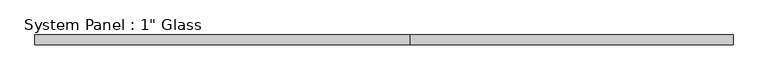
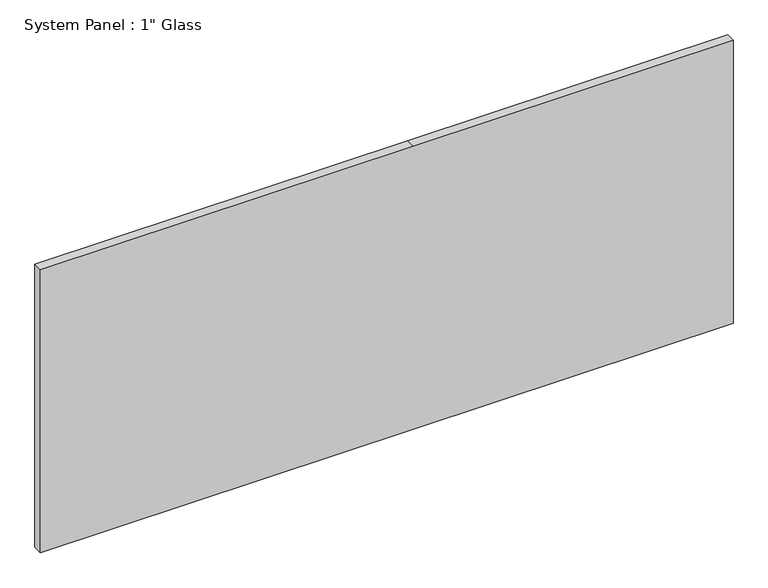
"""IFC4 building model written with IfcOpenShell, lengths in millimetres: plate geometry."""

from ifc_helpers import new_model, si_unit, frame, origin, place, context, project, spatial, polyline, outline, extrude, source, transform, mapped, element, save


def plate_e2f749d1(model_context):
    return source(origin(), model_context, "Body", "SweptSolid", [
        extrude(outline(polyline([(0.0, -920.75), (0.0, 69.85), (0.0, 920.75), (795.3375, 920.75), (795.3375, 69.85), (795.3375, -920.75), (0.0, -920.75)])), frame((0.0, -12.7, 0.0), z_axis=(0.0, 1.0, 0.0), x_axis=(0.0, 0.0, 1.0)), (0.0, 0.0, 1.0), 25.4),
    ])


if __name__ == "__main__":
    model = new_model("IFC4")
    model_context = context("Model", 3, world=origin())
    ifc_project = project(units=[si_unit("LENGTHUNIT", "METRE", prefix="MILLI")], contexts=[model_context])
    site = spatial("IfcSite", under=ifc_project)
    building = spatial("IfcBuilding", under=site)
    placement = place(None, origin())
    plate_shape = plate_e2f749d1(model_context)
    element("IfcPlate", 1, ObjectType="System Panel : 1\" Glass", at=placement, inside=building, context=model_context, shape_type="MappedRepresentation", body=[
        mapped(plate_shape, transform((0.0, 0.0, 0.0), x_axis=(1.0, 0.0, 0.0), y_axis=(0.0, 1.0, 0.0), z_axis=(0.0, 0.0, 1.0))),
    ])
    save(model, "model.ifc")
